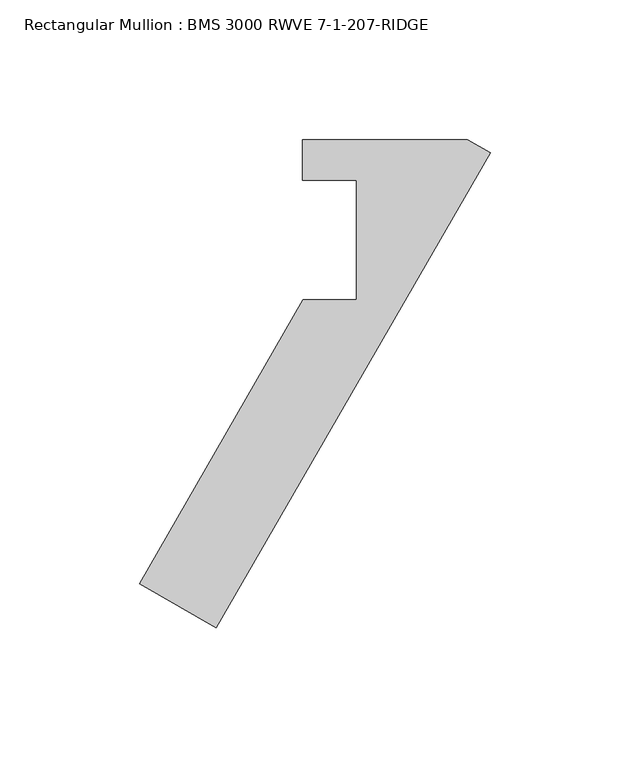
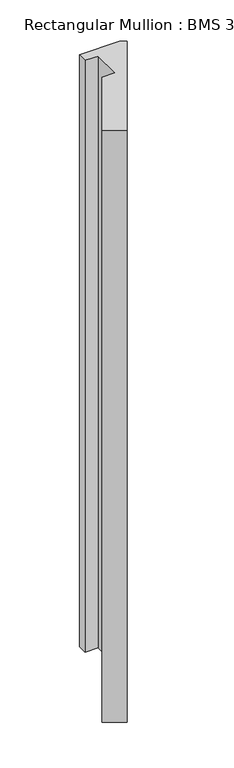
"""IFC4 building model written with IfcOpenShell, lengths in millimetres: member geometry, Rectangular Mullion : BMS 3000 RWVE 7-1-207-RIDGE."""

from ifc_helpers import new_model, si_unit, frame, origin, place, context, project, spatial, polyline, outline, extrude, source, transform, mapped, element, save


def rectangular_mullion_bms_3000_rwve_7_1_207_ridge_3b2caffb(model_context):
    return source(origin(), model_context, "Body", "SweptSolid", [
        extrude(outline(polyline([(-8.2593666, 4.7511348), (0.0, -0.0174127), (-98.2237332, -170.1459091), (-125.7200397, -154.2709091), (-67.0612524, -52.6709091), (-48.0112524, -52.6709091), (-48.0112524, -9.7425031), (-67.2653176, -9.7425031), (-67.2653176, 4.7511348), (-8.2593666, 4.7511348)])), frame((0.0, 0.0, -914.4), z_axis=(0.0, 0.0, 1.0), x_axis=(1.0, 0.0, 0.0)), (0.0, 0.0, 1.0), 914.4),
    ])


if __name__ == "__main__":
    model = new_model("IFC4")
    model_context = context("Model", 3, world=origin())
    ifc_project = project(units=[si_unit("LENGTHUNIT", "METRE", prefix="MILLI")], contexts=[model_context])
    site = spatial("IfcSite", under=ifc_project)
    building = spatial("IfcBuilding", under=site)
    placement = place(None, origin())
    rectangular_mullion_bms_3000_rwve_7_1_207_ridge_shape = rectangular_mullion_bms_3000_rwve_7_1_207_ridge_3b2caffb(model_context)
    element("IfcMember", 1, ObjectType="Rectangular Mullion : BMS 3000 RWVE 7-1-207-RIDGE", at=placement, inside=building, context=model_context, shape_type="MappedRepresentation", body=[
        mapped(rectangular_mullion_bms_3000_rwve_7_1_207_ridge_shape, transform((0.0, 0.0, 0.0), x_axis=(1.0, 0.0, 0.0), y_axis=(0.0, 1.0, 0.0), z_axis=(0.0, 0.0, 1.0))),
    ])
    save(model, "model.ifc")
